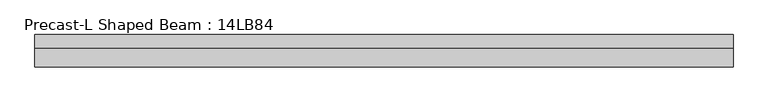
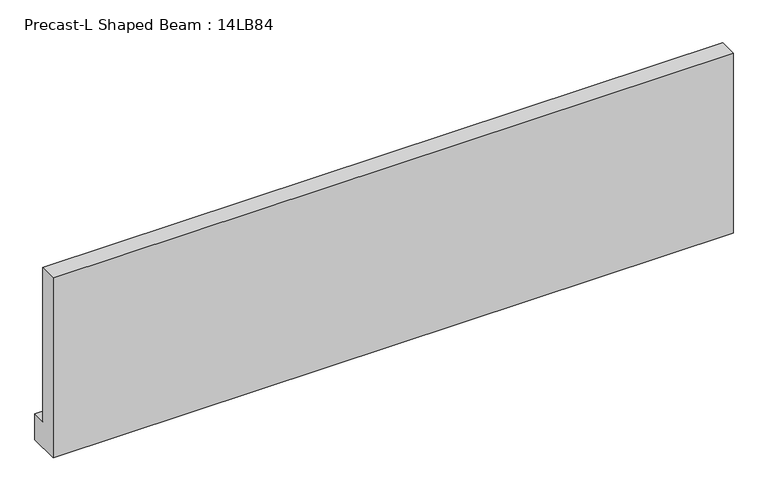
"""IFC4 building model written with IfcOpenShell, lengths in millimetres: beam geometry, Precast-L Shaped Beam : 14LB84."""

from ifc_helpers import new_model, si_unit, frame, origin, place, context, project, spatial, polyline, outline, extrude, source, transform, mapped, element, save


def precast_l_shaped_beam_14lb84_6f00638f(model_context):
    return source(origin(), model_context, "Body", "SweptSolid", [
        extrude(outline(polyline([(-177.8, -1066.8), (-177.8, 1066.8), (25.4, 1066.8), (25.4, -762.0), (177.8, -762.0), (177.8, -1066.8), (-177.8, -1066.8)])), frame((-3759.2, 0.0, 0.0), z_axis=(1.0, 0.0, 0.0), x_axis=(0.0, 1.0, 0.0)), (0.0, 0.0, 1.0), 7620.0),
    ])


if __name__ == "__main__":
    model = new_model("IFC4")
    model_context = context("Model", 3, world=origin())
    ifc_project = project(units=[si_unit("LENGTHUNIT", "METRE", prefix="MILLI")], contexts=[model_context])
    site = spatial("IfcSite", under=ifc_project)
    building = spatial("IfcBuilding", under=site)
    placement = place(None, origin())
    precast_l_shaped_beam_14lb84_shape = precast_l_shaped_beam_14lb84_6f00638f(model_context)
    element("IfcBeam", 1, ObjectType="Precast-L Shaped Beam : 14LB84", at=placement, inside=building, context=model_context, shape_type="MappedRepresentation", body=[
        mapped(precast_l_shaped_beam_14lb84_shape, transform((0.0, 0.0, 0.0), x_axis=(1.0, 0.0, 0.0), y_axis=(0.0, 1.0, 0.0), z_axis=(0.0, 0.0, 1.0))),
    ])
    save(model, "model.ifc")
